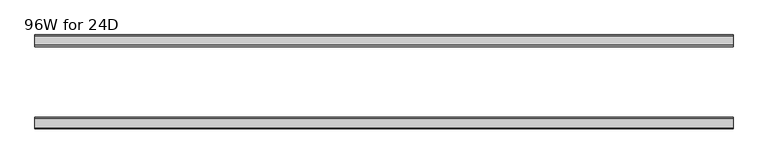
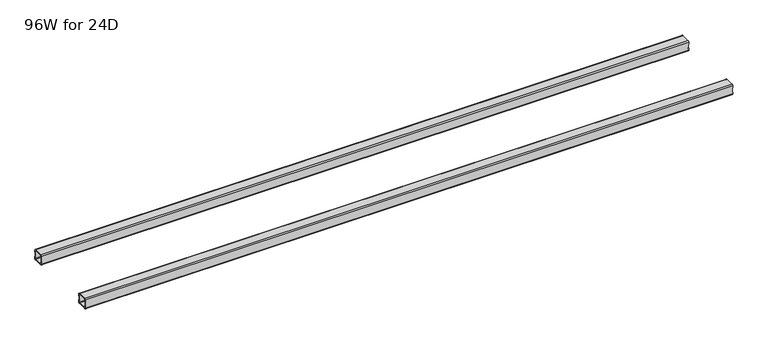
"""IFC4 building model written with IfcOpenShell, lengths in millimetres: furniture geometry, 96W for 24D."""

from ifc_helpers import new_model, si_unit, frame, origin, place, context, project, spatial, polyline, circle_curve, source, transform, mapped, element, save
from ifc_brep_helpers import plane_surface, cylinder_surface, revolved_surface, advanced_brep


def furniture_96w_for_24d_df8f351b(model_context):
    return source(origin(), model_context, "Body", "AdvancedBrep", [
        advanced_brep(
        [(2413.4028, -438.5082, 278.701), (2413.4028, -440.5082, 276.701), (2413.4028, -472.5082, 276.701), (2413.4028, -474.5082, 278.701), (2413.4028, -474.5082, 286.201), (2413.4028, -476.5082, 286.201), (2413.4028, -476.5082, 278.701), (2413.4028, -472.5082, 274.701), (2413.4028, -440.5082, 274.701), (2413.4028, -436.5082, 278.701), (2413.4028, -436.5082, 286.201), (2413.4028, -438.5082, 286.201), (2413.4028, -474.5082, 310.325), (2413.4028, -472.5082, 312.325), (2413.4028, -440.5082, 312.325), (2413.4028, -438.5082, 310.325), (2413.4028, -438.5082, 302.825), (2413.4028, -436.5082, 302.825), (2413.4028, -436.5082, 310.325), (2413.4028, -440.5082, 314.325), (2413.4028, -472.5082, 314.325), (2413.4028, -476.5082, 310.325), (2413.4028, -476.5082, 302.825), (2413.4028, -474.5082, 302.825), (22.0, -438.5082, 310.325), (22.0, -440.5082, 312.325), (22.0, -472.5082, 312.325), (22.0, -474.5082, 310.325), (22.0, -474.5082, 302.825), (22.0, -476.5082, 302.825), (22.0, -476.5082, 310.325), (22.0, -472.5082, 314.325), (22.0, -440.5082, 314.325), (22.0, -436.5082, 310.325), (22.0, -436.5082, 302.825), (22.0, -438.5082, 302.825), (22.0, -474.5082, 278.701), (22.0, -472.5082, 276.701), (22.0, -440.5082, 276.701), (22.0, -438.5082, 278.701), (22.0, -438.5082, 286.201), (22.0, -436.5082, 286.201), (22.0, -436.5082, 278.701), (22.0, -440.5082, 274.701), (22.0, -472.5082, 274.701), (22.0, -476.5082, 278.701), (22.0, -476.5082, 286.201), (22.0, -474.5082, 286.201), (23.365, -474.5082, 286.201), (24.0, -474.5082, 286.836), (24.0, -474.5082, 302.19), (23.365, -474.5082, 302.825), (2412.0378, -474.5082, 302.825), (2411.4028, -474.5082, 302.19), (2411.4028, -474.5082, 286.836), (2412.0378, -474.5082, 286.201), (2412.0378, -438.5082, 286.201), (2411.4028, -438.5082, 286.836), (2411.4028, -438.5082, 302.19), (2412.0378, -438.5082, 302.825), (23.365, -438.5082, 302.825), (24.0, -438.5082, 302.19), (24.0, -438.5082, 286.836), (23.365, -438.5082, 286.201), (23.365, -476.5082, 302.825), (24.0, -476.5082, 302.19), (24.0, -476.5082, 286.836), (23.365, -476.5082, 286.201), (2412.0378, -476.5082, 286.201), (2411.4028, -476.5082, 286.836), (2411.4028, -476.5082, 302.19), (2412.0378, -476.5082, 302.825), (2412.0378, -436.5082, 302.825), (2411.4028, -436.5082, 302.19), (2411.4028, -436.5082, 286.836), (2412.0378, -436.5082, 286.201), (23.365, -436.5082, 286.201), (24.0, -436.5082, 286.836), (24.0, -436.5082, 302.19), (23.365, -436.5082, 302.825)],
        [
            (0, 1, circle_curve(frame((2413.4028, -440.5082, 278.701), z_axis=(-1.0, 0.0, 0.0), x_axis=(0.0, 1.0, 0.0)), 2.0)),
            (1, 2),
            (2, 3, circle_curve(frame((2413.4028, -472.5082, 278.701), z_axis=(-1.0, 0.0, 0.0), x_axis=(0.0, 1.0, 0.0)), 2.0)),
            (3, 4),
            (4, 5),
            (5, 6),
            (6, 7, circle_curve(frame((2413.4028, -472.5082, 278.701), z_axis=(1.0, 0.0, 0.0), x_axis=(0.0, 1.0, 0.0)), 4.0)),
            (7, 8),
            (8, 9, circle_curve(frame((2413.4028, -440.5082, 278.701), z_axis=(1.0, 0.0, 0.0), x_axis=(0.0, 1.0, 0.0)), 4.0)),
            (9, 10),
            (10, 11),
            (11, 0),
            (12, 13, circle_curve(frame((2413.4028, -472.5082, 310.325), z_axis=(-1.0, 0.0, 0.0), x_axis=(0.0, 1.0, 0.0)), 2.0)),
            (13, 14),
            (14, 15, circle_curve(frame((2413.4028, -440.5082, 310.325), z_axis=(-1.0, 0.0, 0.0), x_axis=(0.0, 1.0, 0.0)), 2.0)),
            (15, 16),
            (16, 17),
            (17, 18),
            (18, 19, circle_curve(frame((2413.4028, -440.5082, 310.325), z_axis=(1.0, 0.0, 0.0), x_axis=(0.0, 1.0, 0.0)), 4.0)),
            (19, 20),
            (20, 21, circle_curve(frame((2413.4028, -472.5082, 310.325), z_axis=(1.0, 0.0, 0.0), x_axis=(0.0, 1.0, 0.0)), 4.0)),
            (21, 22),
            (22, 23),
            (23, 12),
            (24, 25, circle_curve(frame((22.0, -440.5082, 310.325), z_axis=(1.0, 0.0, 0.0), x_axis=(0.0, 1.0, 0.0)), 2.0)),
            (25, 26),
            (26, 27, circle_curve(frame((22.0, -472.5082, 310.325), z_axis=(1.0, 0.0, 0.0), x_axis=(0.0, 1.0, 0.0)), 2.0)),
            (27, 28),
            (28, 29),
            (29, 30),
            (30, 31, circle_curve(frame((22.0, -472.5082, 310.325), z_axis=(-1.0, 0.0, 0.0), x_axis=(0.0, 1.0, 0.0)), 4.0)),
            (31, 32),
            (32, 33, circle_curve(frame((22.0, -440.5082, 310.325), z_axis=(-1.0, 0.0, 0.0), x_axis=(0.0, 1.0, 0.0)), 4.0)),
            (33, 34),
            (34, 35),
            (35, 24),
            (36, 37, circle_curve(frame((22.0, -472.5082, 278.701), z_axis=(1.0, 0.0, 0.0), x_axis=(0.0, 1.0, 0.0)), 2.0)),
            (37, 38),
            (38, 39, circle_curve(frame((22.0, -440.5082, 278.701), z_axis=(1.0, 0.0, 0.0), x_axis=(0.0, 1.0, 0.0)), 2.0)),
            (39, 40),
            (40, 41),
            (41, 42),
            (42, 43, circle_curve(frame((22.0, -440.5082, 278.701), z_axis=(-1.0, 0.0, 0.0), x_axis=(0.0, 1.0, 0.0)), 4.0)),
            (43, 44),
            (44, 45, circle_curve(frame((22.0, -472.5082, 278.701), z_axis=(-1.0, 0.0, 0.0), x_axis=(0.0, 1.0, 0.0)), 4.0)),
            (45, 46),
            (46, 47),
            (47, 36),
            (0, 39),
            (38, 1),
            (37, 2),
            (36, 3),
            (47, 48),
            (48, 49, circle_curve(frame((23.365, -474.5082, 286.836), z_axis=(0.0, -1.0, 0.0), x_axis=(1.0, 0.0, 0.0)), 0.635)),
            (49, 50),
            (50, 51, circle_curve(frame((23.365, -474.5082, 302.19), z_axis=(0.0, -1.0, 0.0), x_axis=(1.0, 0.0, 0.0)), 0.635)),
            (51, 28),
            (27, 12),
            (23, 52),
            (52, 53, circle_curve(frame((2412.0378, -474.5082, 302.19), z_axis=(0.0, -1.0, 0.0), x_axis=(1.0, 0.0, 0.0)), 0.635)),
            (53, 54),
            (54, 55, circle_curve(frame((2412.0378, -474.5082, 286.836), z_axis=(0.0, -1.0, 0.0), x_axis=(1.0, 0.0, 0.0)), 0.635)),
            (55, 4),
            (26, 13),
            (25, 14),
            (24, 15),
            (11, 56),
            (56, 57, circle_curve(frame((2412.0378, -438.5082, 286.836), z_axis=(0.0, 1.0, 0.0), x_axis=(1.0, 0.0, 0.0)), 0.635)),
            (57, 58),
            (58, 59, circle_curve(frame((2412.0378, -438.5082, 302.19), z_axis=(0.0, 1.0, 0.0), x_axis=(1.0, 0.0, 0.0)), 0.635)),
            (59, 16),
            (35, 60),
            (60, 61, circle_curve(frame((23.365, -438.5082, 302.19), z_axis=(0.0, 1.0, 0.0), x_axis=(1.0, 0.0, 0.0)), 0.635)),
            (61, 62),
            (62, 63, circle_curve(frame((23.365, -438.5082, 286.836), z_axis=(0.0, 1.0, 0.0), x_axis=(1.0, 0.0, 0.0)), 0.635)),
            (63, 40),
            (18, 33),
            (32, 19),
            (31, 20),
            (30, 21),
            (29, 64),
            (64, 65, circle_curve(frame((23.365, -476.5082, 302.19), z_axis=(0.0, 1.0, 0.0), x_axis=(1.0, 0.0, 0.0)), 0.635)),
            (65, 66),
            (66, 67, circle_curve(frame((23.365, -476.5082, 286.836), z_axis=(0.0, 1.0, 0.0), x_axis=(1.0, 0.0, 0.0)), 0.635)),
            (67, 46),
            (45, 6),
            (5, 68),
            (68, 69, circle_curve(frame((2412.0378, -476.5082, 286.836), z_axis=(0.0, 1.0, 0.0), x_axis=(1.0, 0.0, 0.0)), 0.635)),
            (69, 70),
            (70, 71, circle_curve(frame((2412.0378, -476.5082, 302.19), z_axis=(0.0, 1.0, 0.0), x_axis=(1.0, 0.0, 0.0)), 0.635)),
            (71, 22),
            (44, 7),
            (43, 8),
            (42, 9),
            (17, 72),
            (72, 73, circle_curve(frame((2412.0378, -436.5082, 302.19), z_axis=(0.0, -1.0, 0.0), x_axis=(1.0, 0.0, 0.0)), 0.635)),
            (73, 74),
            (74, 75, circle_curve(frame((2412.0378, -436.5082, 286.836), z_axis=(0.0, -1.0, 0.0), x_axis=(1.0, 0.0, 0.0)), 0.635)),
            (75, 10),
            (41, 76),
            (76, 77, circle_curve(frame((23.365, -436.5082, 286.836), z_axis=(0.0, -1.0, 0.0), x_axis=(1.0, 0.0, 0.0)), 0.635)),
            (77, 78),
            (78, 79, circle_curve(frame((23.365, -436.5082, 302.19), z_axis=(0.0, -1.0, 0.0), x_axis=(1.0, 0.0, 0.0)), 0.635)),
            (79, 34),
            (71, 52),
            (59, 72),
            (70, 53),
            (58, 73),
            (69, 54),
            (57, 74),
            (68, 55),
            (56, 75),
            (51, 64),
            (79, 60),
            (67, 48),
            (63, 76),
            (66, 49),
            (62, 77),
            (65, 50),
            (61, 78),
        ],
        [
            plane_surface(frame((2413.4028, -438.5082, 278.701), z_axis=(1.0, 0.0, 0.0), x_axis=(0.0, 0.0, -1.0))),
            plane_surface(frame((22.0, -438.5082, 278.701), z_axis=(-1.0, 0.0, 0.0), x_axis=(0.0, 0.0, 1.0))),
            revolved_surface(polyline([(22.0, -438.5082, 278.701), (2413.4028, -438.5082, 278.701)]), (22.0, -440.5082, 278.701), (-1.0, 0.0, 0.0)),
            plane_surface(frame((2413.4028, -440.5082, 276.701), z_axis=(0.0, -5.1975507231696345e-12, 1.0), x_axis=(-1.0, 0.0, 0.0))),
            revolved_surface(polyline([(22.0, -470.5082, 278.701), (2413.4028, -470.5082, 278.701)]), (22.0, -472.5082, 278.701), (-1.0, 0.0, 0.0)),
            plane_surface(frame((2413.4028, -474.5082, 278.701), z_axis=(0.0, 1.0, 0.0), x_axis=(-1.0, 0.0, 0.0))),
            revolved_surface(polyline([(22.0, -470.5082, 310.325), (2413.4028, -470.5082, 310.325)]), (22.0, -472.5082, 310.325), (-1.0, 0.0, 0.0)),
            plane_surface(frame((2413.4028, -472.5082, 312.325), z_axis=(0.0, 0.0, -1.0), x_axis=(-1.0, 0.0, 0.0))),
            revolved_surface(polyline([(22.0, -438.5082, 310.325), (2413.4028, -438.5082, 310.325)]), (22.0, -440.5082, 310.325), (-1.0, 0.0, 0.0)),
            plane_surface(frame((2413.4028, -438.5082, 310.325), z_axis=(0.0, -1.0, 0.0), x_axis=(-1.0, 0.0, 0.0))),
            cylinder_surface(frame((0.0, -440.5082, 310.325), z_axis=(1.0, 0.0, 0.0), x_axis=(0.0, 1.0, 0.0)), 4.0),
            plane_surface(frame((2413.4028, -440.5082, 314.325), z_axis=(0.0, 0.0, 1.0), x_axis=(-1.0, 0.0, 0.0))),
            cylinder_surface(frame((0.0, -472.5082, 310.325), z_axis=(1.0, 0.0, 0.0), x_axis=(0.0, 1.0, 0.0)), 4.0),
            plane_surface(frame((2413.4028, -476.5082, 310.325), z_axis=(0.0, -1.0, 0.0), x_axis=(-1.0, 0.0, 0.0))),
            cylinder_surface(frame((0.0, -472.5082, 278.701), z_axis=(1.0, 0.0, 0.0), x_axis=(0.0, 1.0, 0.0)), 4.0),
            plane_surface(frame((2413.4028, -472.5082, 274.701), z_axis=(0.0, 0.0, -1.0), x_axis=(-1.0, 0.0, 0.0))),
            cylinder_surface(frame((0.0, -440.5082, 278.701), z_axis=(1.0, 0.0, 0.0), x_axis=(0.0, 1.0, 0.0)), 4.0),
            plane_surface(frame((2413.4028, -436.5082, 278.701), z_axis=(0.0, 1.0, -5.25185763840181e-12), x_axis=(-1.0, 0.0, 0.0))),
            plane_surface(frame((2413.4028, -476.5082, 302.825), z_axis=(1.1279865930403105e-11, 0.0, -1.0), x_axis=(0.0, 1.0, 0.0))),
            revolved_surface(polyline([(2412.6728000000003, -476.5082, 302.19), (2412.6728000000003, -474.5082, 302.19)]), (2412.0378, -436.5082, 302.19), (0.0, -1.0, 0.0)),
            revolved_surface(polyline([(2412.6728000000003, -438.5082, 302.19), (2412.6728000000003, -436.5082, 302.19)]), (2412.0378, -436.5082, 302.19), (0.0, -1.0, 0.0)),
            plane_surface(frame((2411.4028, -476.5082, 302.19), z_axis=(1.0, 0.0, 0.0), x_axis=(0.0, 1.0, 0.0))),
            revolved_surface(polyline([(2412.6728000000003, -476.5082, 286.836), (2412.6728000000003, -474.5082, 286.836)]), (2412.0378, -436.5082, 286.836), (0.0, -1.0, 0.0)),
            revolved_surface(polyline([(2412.6728000000003, -438.5082, 286.836), (2412.6728000000003, -436.5082, 286.836)]), (2412.0378, -436.5082, 286.836), (0.0, -1.0, 0.0)),
            plane_surface(frame((2412.0378, -476.5082, 286.201), z_axis=(0.0, 0.0, 1.0), x_axis=(0.0, 1.0, 0.0))),
            plane_surface(frame((23.365, -476.5082, 302.825), z_axis=(0.0, 0.0, -1.0), x_axis=(0.0, 1.0, 0.0))),
            plane_surface(frame((22.0, -476.5082, 286.201), z_axis=(-1.1478193243271103e-11, 0.0, 1.0), x_axis=(0.0, 1.0, 0.0))),
            revolved_surface(polyline([(24.0, -476.5082, 286.836), (24.0, -474.5082, 286.836)]), (23.365, -436.5082, 286.836), (0.0, -1.0, 0.0)),
            revolved_surface(polyline([(24.0, -438.5082, 286.836), (24.0, -436.5082, 286.836)]), (23.365, -436.5082, 286.836), (0.0, -1.0, 0.0)),
            plane_surface(frame((24.0, -476.5082, 286.836), z_axis=(-1.0, 0.0, 0.0), x_axis=(0.0, 1.0, 0.0))),
            revolved_surface(polyline([(24.0, -476.5082, 302.19), (24.0, -474.5082, 302.19)]), (23.365, -436.5082, 302.19), (0.0, -1.0, 0.0)),
            revolved_surface(polyline([(24.0, -438.5082, 302.19), (24.0, -436.5082, 302.19)]), (23.365, -436.5082, 302.19), (0.0, -1.0, 0.0)),
        ],
        [
            (0, [[1, 2, 3, 4, 5, 6, 7, 8, 9, 10, 11, 12]]),
            (0, [[13, 14, 15, 16, 17, 18, 19, 20, 21, 22, 23, 24]]),
            (1, [[25, 26, 27, 28, 29, 30, 31, 32, 33, 34, 35, 36]]),
            (1, [[37, 38, 39, 40, 41, 42, 43, 44, 45, 46, 47, 48]]),
            (2, [[-1, 49, -39, 50]]),
            (3, [[-2, -50, -38, 51]]),
            (4, [[-3, -51, -37, 52]]),
            (5, [[-52, -48, 53, 54, 55, 56, 57, -28, 58, -24, 59, 60, 61, 62, 63, -4]]),
            (6, [[-13, -58, -27, 64]]),
            (7, [[-14, -64, -26, 65]]),
            (8, [[-15, -65, -25, 66]]),
            (9, [[-49, -12, 67, 68, 69, 70, 71, -16, -66, -36, 72, 73, 74, 75, 76, -40]]),
            (10, [[-19, 77, -33, 78]]),
            (11, [[-20, -78, -32, 79]]),
            (12, [[-21, -79, -31, 80]]),
            (13, [[-80, -30, 81, 82, 83, 84, 85, -46, 86, -6, 87, 88, 89, 90, 91, -22]]),
            (14, [[-7, -86, -45, 92]]),
            (15, [[-8, -92, -44, 93]]),
            (16, [[-9, -93, -43, 94]]),
            (17, [[-77, -18, 95, 96, 97, 98, 99, -10, -94, -42, 100, 101, 102, 103, 104, -34]]),
            (18, [[105, -59, -23, -91]]),
            (18, [[106, -95, -17, -71]]),
            (19, [[-105, -90, 107, -60]]),
            (20, [[-106, -70, 108, -96]]),
            (21, [[-107, -89, 109, -61]]),
            (21, [[-108, -69, 110, -97]]),
            (22, [[-109, -88, 111, -62]]),
            (23, [[-110, -68, 112, -98]]),
            (24, [[-111, -87, -5, -63]]),
            (24, [[-112, -67, -11, -99]]),
            (25, [[113, -81, -29, -57]]),
            (25, [[114, -72, -35, -104]]),
            (26, [[115, -53, -47, -85]]),
            (26, [[116, -100, -41, -76]]),
            (27, [[-115, -84, 117, -54]]),
            (28, [[-116, -75, 118, -101]]),
            (29, [[-117, -83, 119, -55]]),
            (29, [[-118, -74, 120, -102]]),
            (30, [[-113, -56, -119, -82]]),
            (31, [[-114, -103, -120, -73]]),
        ],
    ),
        advanced_brep(
        [(2413.4028, -192.9996202, 310.325), (2413.4028, -190.9996202, 312.325), (2413.4028, -159.0003798, 312.325), (2413.4028, -157.0003798, 310.325), (2413.4028, -157.0003798, 302.825), (2413.4028, -155.0003798, 302.825), (2413.4028, -155.0003798, 310.325), (2413.4028, -159.0003798, 314.325), (2413.4028, -190.9996202, 314.325), (2413.4028, -194.9996202, 310.325), (2413.4028, -194.9996202, 302.825), (2413.4028, -192.9996202, 302.825), (2413.4028, -157.0003798, 278.701), (2413.4028, -159.0003798, 276.701), (2413.4028, -190.9996202, 276.701), (2413.4028, -192.9996202, 278.701), (2413.4028, -192.9996202, 286.201), (2413.4028, -194.9996202, 286.201), (2413.4028, -194.9996202, 278.701), (2413.4028, -190.9996202, 274.701), (2413.4028, -159.0003798, 274.701), (2413.4028, -155.0003798, 278.701), (2413.4028, -155.0003798, 286.201), (2413.4028, -157.0003798, 286.201), (22.0, -192.9996202, 278.701), (22.0, -190.9996202, 276.701), (22.0, -159.0003798, 276.701), (22.0, -157.0003798, 278.701), (22.0, -157.0003798, 286.201), (22.0, -155.0003798, 286.201), (22.0, -155.0003798, 278.701), (22.0, -159.0003798, 274.701), (22.0, -190.9996202, 274.701), (22.0, -194.9996202, 278.701), (22.0, -194.9996202, 286.201), (22.0, -192.9996202, 286.201), (22.0, -157.0003798, 310.325), (22.0, -159.0003798, 312.325), (22.0, -190.9996202, 312.325), (22.0, -192.9996202, 310.325), (22.0, -192.9996202, 302.825), (22.0, -194.9996202, 302.825), (22.0, -194.9996202, 310.325), (22.0, -190.9996202, 314.325), (22.0, -159.0003798, 314.325), (22.0, -155.0003798, 310.325), (22.0, -155.0003798, 302.825), (22.0, -157.0003798, 302.825), (2412.0378, -157.0003798, 286.201), (2411.4028, -157.0003798, 286.836), (2411.4028, -157.0003798, 302.19), (2412.0378, -157.0003798, 302.825), (23.365, -157.0003798, 302.825), (24.0, -157.0003798, 302.19), (24.0, -157.0003798, 286.836), (23.365, -157.0003798, 286.201), (23.365, -192.9996202, 286.201), (24.0, -192.9996202, 286.836), (24.0, -192.9996202, 302.19), (23.365, -192.9996202, 302.825), (2412.0378, -192.9996202, 302.825), (2411.4028, -192.9996202, 302.19), (2411.4028, -192.9996202, 286.836), (2412.0378, -192.9996202, 286.201), (2412.0378, -155.0003798, 302.825), (2411.4028, -155.0003798, 302.19), (2411.4028, -155.0003798, 286.836), (2412.0378, -155.0003798, 286.201), (23.365, -155.0003798, 286.201), (24.0, -155.0003798, 286.836), (24.0, -155.0003798, 302.19), (23.365, -155.0003798, 302.825), (23.365, -194.9996202, 302.825), (24.0, -194.9996202, 302.19), (24.0, -194.9996202, 286.836), (23.365, -194.9996202, 286.201), (2412.0378, -194.9996202, 286.201), (2411.4028, -194.9996202, 286.836), (2411.4028, -194.9996202, 302.19), (2412.0378, -194.9996202, 302.825)],
        [
            (0, 1, circle_curve(frame((2413.4028, -190.9996202, 310.325), z_axis=(-1.0, 0.0, 0.0), x_axis=(0.0, -1.0, 0.0)), 2.0)),
            (1, 2),
            (2, 3, circle_curve(frame((2413.4028, -159.0003798, 310.325), z_axis=(-1.0, 0.0, 0.0), x_axis=(0.0, -1.0, 0.0)), 2.0)),
            (3, 4),
            (4, 5),
            (5, 6),
            (6, 7, circle_curve(frame((2413.4028, -159.0003798, 310.325), z_axis=(1.0, 0.0, 0.0), x_axis=(0.0, -1.0, 0.0)), 4.0)),
            (7, 8),
            (8, 9, circle_curve(frame((2413.4028, -190.9996202, 310.325), z_axis=(1.0, 0.0, 0.0), x_axis=(0.0, -1.0, 0.0)), 4.0)),
            (9, 10),
            (10, 11),
            (11, 0),
            (12, 13, circle_curve(frame((2413.4028, -159.0003798, 278.701), z_axis=(-1.0, 0.0, 0.0), x_axis=(0.0, -1.0, 0.0)), 2.0)),
            (13, 14),
            (14, 15, circle_curve(frame((2413.4028, -190.9996202, 278.701), z_axis=(-1.0, 0.0, 0.0), x_axis=(0.0, -1.0, 0.0)), 2.0)),
            (15, 16),
            (16, 17),
            (17, 18),
            (18, 19, circle_curve(frame((2413.4028, -190.9996202, 278.701), z_axis=(1.0, 0.0, 0.0), x_axis=(0.0, -1.0, 0.0)), 4.0)),
            (19, 20),
            (20, 21, circle_curve(frame((2413.4028, -159.0003798, 278.701), z_axis=(1.0, 0.0, 0.0), x_axis=(0.0, -1.0, 0.0)), 4.0)),
            (21, 22),
            (22, 23),
            (23, 12),
            (24, 25, circle_curve(frame((22.0, -190.9996202, 278.701), z_axis=(1.0, 0.0, 0.0), x_axis=(0.0, -1.0, 0.0)), 2.0)),
            (25, 26),
            (26, 27, circle_curve(frame((22.0, -159.0003798, 278.701), z_axis=(1.0, 0.0, 0.0), x_axis=(0.0, -1.0, 0.0)), 2.0)),
            (27, 28),
            (28, 29),
            (29, 30),
            (30, 31, circle_curve(frame((22.0, -159.0003798, 278.701), z_axis=(-1.0, 0.0, 0.0), x_axis=(0.0, -1.0, 0.0)), 4.0)),
            (31, 32),
            (32, 33, circle_curve(frame((22.0, -190.9996202, 278.701), z_axis=(-1.0, 0.0, 0.0), x_axis=(0.0, -1.0, 0.0)), 4.0)),
            (33, 34),
            (34, 35),
            (35, 24),
            (36, 37, circle_curve(frame((22.0, -159.0003798, 310.325), z_axis=(1.0, 0.0, 0.0), x_axis=(0.0, -1.0, 0.0)), 2.0)),
            (37, 38),
            (38, 39, circle_curve(frame((22.0, -190.9996202, 310.325), z_axis=(1.0, 0.0, 0.0), x_axis=(0.0, -1.0, 0.0)), 2.0)),
            (39, 40),
            (40, 41),
            (41, 42),
            (42, 43, circle_curve(frame((22.0, -190.9996202, 310.325), z_axis=(-1.0, 0.0, 0.0), x_axis=(0.0, -1.0, 0.0)), 4.0)),
            (43, 44),
            (44, 45, circle_curve(frame((22.0, -159.0003798, 310.325), z_axis=(-1.0, 0.0, 0.0), x_axis=(0.0, -1.0, 0.0)), 4.0)),
            (45, 46),
            (46, 47),
            (47, 36),
            (14, 25),
            (24, 15),
            (13, 26),
            (12, 27),
            (23, 48),
            (48, 49, circle_curve(frame((2412.0378, -157.0003798, 286.836), z_axis=(0.0, 1.0, 0.0), x_axis=(1.0, 0.0, 0.0)), 0.635)),
            (49, 50),
            (50, 51, circle_curve(frame((2412.0378, -157.0003798, 302.19), z_axis=(0.0, 1.0, 0.0), x_axis=(1.0, 0.0, 0.0)), 0.635)),
            (51, 4),
            (3, 36),
            (47, 52),
            (52, 53, circle_curve(frame((23.365, -157.0003798, 302.19), z_axis=(0.0, 1.0, 0.0), x_axis=(1.0, 0.0, 0.0)), 0.635)),
            (53, 54),
            (54, 55, circle_curve(frame((23.365, -157.0003798, 286.836), z_axis=(0.0, 1.0, 0.0), x_axis=(1.0, 0.0, 0.0)), 0.635)),
            (55, 28),
            (2, 37),
            (1, 38),
            (0, 39),
            (35, 56),
            (56, 57, circle_curve(frame((23.365, -192.9996202, 286.836), z_axis=(0.0, -1.0, 0.0), x_axis=(1.0, 0.0, 0.0)), 0.635)),
            (57, 58),
            (58, 59, circle_curve(frame((23.365, -192.9996202, 302.19), z_axis=(0.0, -1.0, 0.0), x_axis=(1.0, 0.0, 0.0)), 0.635)),
            (59, 40),
            (11, 60),
            (60, 61, circle_curve(frame((2412.0378, -192.9996202, 302.19), z_axis=(0.0, -1.0, 0.0), x_axis=(1.0, 0.0, 0.0)), 0.635)),
            (61, 62),
            (62, 63, circle_curve(frame((2412.0378, -192.9996202, 286.836), z_axis=(0.0, -1.0, 0.0), x_axis=(1.0, 0.0, 0.0)), 0.635)),
            (63, 16),
            (8, 43),
            (42, 9),
            (7, 44),
            (6, 45),
            (5, 64),
            (64, 65, circle_curve(frame((2412.0378, -155.0003798, 302.19), z_axis=(0.0, -1.0, 0.0), x_axis=(1.0, 0.0, 0.0)), 0.635)),
            (65, 66),
            (66, 67, circle_curve(frame((2412.0378, -155.0003798, 286.836), z_axis=(0.0, -1.0, 0.0), x_axis=(1.0, 0.0, 0.0)), 0.635)),
            (67, 22),
            (21, 30),
            (29, 68),
            (68, 69, circle_curve(frame((23.365, -155.0003798, 286.836), z_axis=(0.0, -1.0, 0.0), x_axis=(1.0, 0.0, 0.0)), 0.635)),
            (69, 70),
            (70, 71, circle_curve(frame((23.365, -155.0003798, 302.19), z_axis=(0.0, -1.0, 0.0), x_axis=(1.0, 0.0, 0.0)), 0.635)),
            (71, 46),
            (20, 31),
            (19, 32),
            (18, 33),
            (41, 72),
            (72, 73, circle_curve(frame((23.365, -194.9996202, 302.19), z_axis=(0.0, 1.0, 0.0), x_axis=(1.0, 0.0, 0.0)), 0.635)),
            (73, 74),
            (74, 75, circle_curve(frame((23.365, -194.9996202, 286.836), z_axis=(0.0, 1.0, 0.0), x_axis=(1.0, 0.0, 0.0)), 0.635)),
            (75, 34),
            (17, 76),
            (76, 77, circle_curve(frame((2412.0378, -194.9996202, 286.836), z_axis=(0.0, 1.0, 0.0), x_axis=(1.0, 0.0, 0.0)), 0.635)),
            (77, 78),
            (78, 79, circle_curve(frame((2412.0378, -194.9996202, 302.19), z_axis=(0.0, 1.0, 0.0), x_axis=(1.0, 0.0, 0.0)), 0.635)),
            (79, 10),
            (51, 64),
            (79, 60),
            (50, 65),
            (78, 61),
            (49, 66),
            (77, 62),
            (48, 67),
            (76, 63),
            (71, 52),
            (59, 72),
            (55, 68),
            (75, 56),
            (54, 69),
            (74, 57),
            (53, 70),
            (73, 58),
        ],
        [
            plane_surface(frame((2413.4028, -192.9996202, 310.325), z_axis=(1.0, 0.0, 0.0), x_axis=(0.0, 0.0, 1.0))),
            plane_surface(frame((22.0, -192.9996202, 310.325), z_axis=(-1.0, 0.0, 0.0), x_axis=(0.0, 0.0, -1.0))),
            revolved_surface(polyline([(22.0, -192.9996202, 278.701), (2413.4028, -192.9996202, 278.701)]), (22.0, -190.9996202, 278.701), (-1.0, 0.0, 0.0)),
            plane_surface(frame((2413.4028, -159.0003798, 276.701), z_axis=(0.0, -1.0141545228491802e-12, 1.0), x_axis=(-1.0, 0.0, 0.0))),
            revolved_surface(polyline([(22.0, -161.0003798, 278.701), (2413.4028, -161.0003798, 278.701)]), (22.0, -159.0003798, 278.701), (-1.0, 0.0, 0.0)),
            plane_surface(frame((2413.4028, -157.0003798, 310.325), z_axis=(0.0, -1.0, 0.0), x_axis=(-1.0, 0.0, 0.0))),
            revolved_surface(polyline([(22.0, -161.0003798, 310.325), (2413.4028, -161.0003798, 310.325)]), (22.0, -159.0003798, 310.325), (-1.0, 0.0, 0.0)),
            plane_surface(frame((2413.4028, -190.9996202, 312.325), z_axis=(0.0, 0.0, -1.0), x_axis=(-1.0, 0.0, 0.0))),
            revolved_surface(polyline([(22.0, -192.9996202, 310.325), (2413.4028, -192.9996202, 310.325)]), (22.0, -190.9996202, 310.325), (-1.0, 0.0, 0.0)),
            plane_surface(frame((2413.4028, -192.9996202, 278.701), z_axis=(0.0, 1.0, 0.0), x_axis=(-1.0, 0.0, 0.0))),
            cylinder_surface(frame((0.0, -190.9996202, 310.325), z_axis=(1.0, 0.0, 0.0), x_axis=(0.0, -1.0, 0.0)), 4.0),
            plane_surface(frame((2413.4028, -159.0003798, 314.325), z_axis=(0.0, 0.0, 1.0), x_axis=(-1.0, 0.0, 0.0))),
            cylinder_surface(frame((0.0, -159.0003798, 310.325), z_axis=(1.0, 0.0, 0.0), x_axis=(0.0, -1.0, 0.0)), 4.0),
            plane_surface(frame((2413.4028, -155.0003798, 278.701), z_axis=(0.0, 1.0, 0.0), x_axis=(-1.0, 0.0, 0.0))),
            cylinder_surface(frame((0.0, -159.0003798, 278.701), z_axis=(1.0, 0.0, 0.0), x_axis=(0.0, -1.0, 0.0)), 4.0),
            plane_surface(frame((2413.4028, -190.9996202, 274.701), z_axis=(0.0, 0.0, -1.0), x_axis=(-1.0, 0.0, 0.0))),
            cylinder_surface(frame((0.0, -190.9996202, 278.701), z_axis=(1.0, 0.0, 0.0), x_axis=(0.0, -1.0, 0.0)), 4.0),
            plane_surface(frame((2413.4028, -194.9996202, 310.325), z_axis=(0.0, -1.0, 1.0326085209912811e-12), x_axis=(-1.0, 0.0, 0.0))),
            plane_surface(frame((2412.0378, -155.0003798, 302.825), z_axis=(-8.798295424843693e-11, 0.0, -1.0), x_axis=(0.0, -1.0, 0.0))),
            revolved_surface(polyline([(2412.6728000000003, -155.0003798, 302.19), (2412.6728000000003, -157.0003798, 302.19)]), (2412.0378, -194.9996202, 302.19), (0.0, 1.0, 0.0)),
            revolved_surface(polyline([(2412.6728000000003, -192.9996202, 302.19), (2412.6728000000003, -194.9996202, 302.19)]), (2412.0378, -194.9996202, 302.19), (0.0, 1.0, 0.0)),
            plane_surface(frame((2411.4028, -155.0003798, 286.836), z_axis=(1.0, 0.0, 7.581621492717016e-12), x_axis=(0.0, -1.0, 0.0))),
            revolved_surface(polyline([(2412.6728000000003, -155.0003798, 286.836), (2412.6728000000003, -157.0003798, 286.836)]), (2412.0378, -194.9996202, 286.836), (0.0, 1.0, 0.0)),
            revolved_surface(polyline([(2412.6728000000003, -192.9996202, 286.836), (2412.6728000000003, -194.9996202, 286.836)]), (2412.0378, -194.9996202, 286.836), (0.0, 1.0, 0.0)),
            plane_surface(frame((2413.4028, -155.0003798, 286.201), z_axis=(0.0, 0.0, 1.0), x_axis=(0.0, -1.0, 0.0))),
            plane_surface(frame((22.0, -155.0003798, 302.825), z_axis=(0.0, 0.0, -1.0), x_axis=(0.0, -1.0, 0.0))),
            plane_surface(frame((23.365, -155.0003798, 286.201), z_axis=(-5.223445608124299e-11, 0.0, 1.0), x_axis=(0.0, -1.0, 0.0))),
            revolved_surface(polyline([(24.0, -155.0003798, 286.836), (24.0, -157.0003798, 286.836)]), (23.365, -194.9996202, 286.836), (0.0, 1.0, 0.0)),
            revolved_surface(polyline([(24.0, -192.9996202, 286.836), (24.0, -194.9996202, 286.836)]), (23.365, -194.9996202, 286.836), (0.0, 1.0, 0.0)),
            plane_surface(frame((24.0, -155.0003798, 302.19), z_axis=(-1.0, 0.0, 3.5310189924509424e-12), x_axis=(0.0, -1.0, 0.0))),
            revolved_surface(polyline([(24.0, -155.0003798, 302.19), (24.0, -157.0003798, 302.19)]), (23.365, -194.9996202, 302.19), (0.0, 1.0, 0.0)),
            revolved_surface(polyline([(24.0, -192.9996202, 302.19), (24.0, -194.9996202, 302.19)]), (23.365, -194.9996202, 302.19), (0.0, 1.0, 0.0)),
        ],
        [
            (0, [[1, 2, 3, 4, 5, 6, 7, 8, 9, 10, 11, 12]]),
            (0, [[13, 14, 15, 16, 17, 18, 19, 20, 21, 22, 23, 24]]),
            (1, [[25, 26, 27, 28, 29, 30, 31, 32, 33, 34, 35, 36]]),
            (1, [[37, 38, 39, 40, 41, 42, 43, 44, 45, 46, 47, 48]]),
            (2, [[-15, 49, -25, 50]]),
            (3, [[-14, 51, -26, -49]]),
            (4, [[-13, 52, -27, -51]]),
            (5, [[-52, -24, 53, 54, 55, 56, 57, -4, 58, -48, 59, 60, 61, 62, 63, -28]]),
            (6, [[-3, 64, -37, -58]]),
            (7, [[-2, 65, -38, -64]]),
            (8, [[-1, 66, -39, -65]]),
            (9, [[-50, -36, 67, 68, 69, 70, 71, -40, -66, -12, 72, 73, 74, 75, 76, -16]]),
            (10, [[-9, 77, -43, 78]]),
            (11, [[-8, 79, -44, -77]]),
            (12, [[-7, 80, -45, -79]]),
            (13, [[-80, -6, 81, 82, 83, 84, 85, -22, 86, -30, 87, 88, 89, 90, 91, -46]]),
            (14, [[-21, 92, -31, -86]]),
            (15, [[-20, 93, -32, -92]]),
            (16, [[-19, 94, -33, -93]]),
            (17, [[-78, -42, 95, 96, 97, 98, 99, -34, -94, -18, 100, 101, 102, 103, 104, -10]]),
            (18, [[105, -81, -5, -57]]),
            (18, [[106, -72, -11, -104]]),
            (19, [[-105, -56, 107, -82]]),
            (20, [[-106, -103, 108, -73]]),
            (21, [[-107, -55, 109, -83]]),
            (21, [[-108, -102, 110, -74]]),
            (22, [[-109, -54, 111, -84]]),
            (23, [[-110, -101, 112, -75]]),
            (24, [[-111, -53, -23, -85]]),
            (24, [[-112, -100, -17, -76]]),
            (25, [[113, -59, -47, -91]]),
            (25, [[114, -95, -41, -71]]),
            (26, [[115, -87, -29, -63]]),
            (26, [[116, -67, -35, -99]]),
            (27, [[-115, -62, 117, -88]]),
            (28, [[-116, -98, 118, -68]]),
            (29, [[-117, -61, 119, -89]]),
            (29, [[-118, -97, 120, -69]]),
            (30, [[-119, -60, -113, -90]]),
            (31, [[-120, -96, -114, -70]]),
        ],
    ),
    ])


if __name__ == "__main__":
    model = new_model("IFC4")
    model_context = context("Model", 3, world=origin())
    ifc_project = project(units=[si_unit("LENGTHUNIT", "METRE", prefix="MILLI")], contexts=[model_context])
    site = spatial("IfcSite", under=ifc_project)
    building = spatial("IfcBuilding", under=site)
    placement = place(None, origin())
    furniture_96w_for_24d_shape = furniture_96w_for_24d_df8f351b(model_context)
    element("IfcFurniture", 1, ObjectType="96W for 24D", at=placement, inside=building, context=model_context, shape_type="MappedRepresentation", body=[
        mapped(furniture_96w_for_24d_shape, transform((0.0, 0.0, 0.0), x_axis=(1.0, 0.0, 0.0), y_axis=(0.0, 1.0, 0.0), z_axis=(0.0, 0.0, 1.0))),
    ])
    save(model, "model.ifc")
